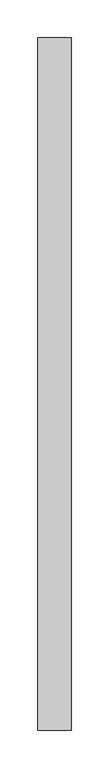
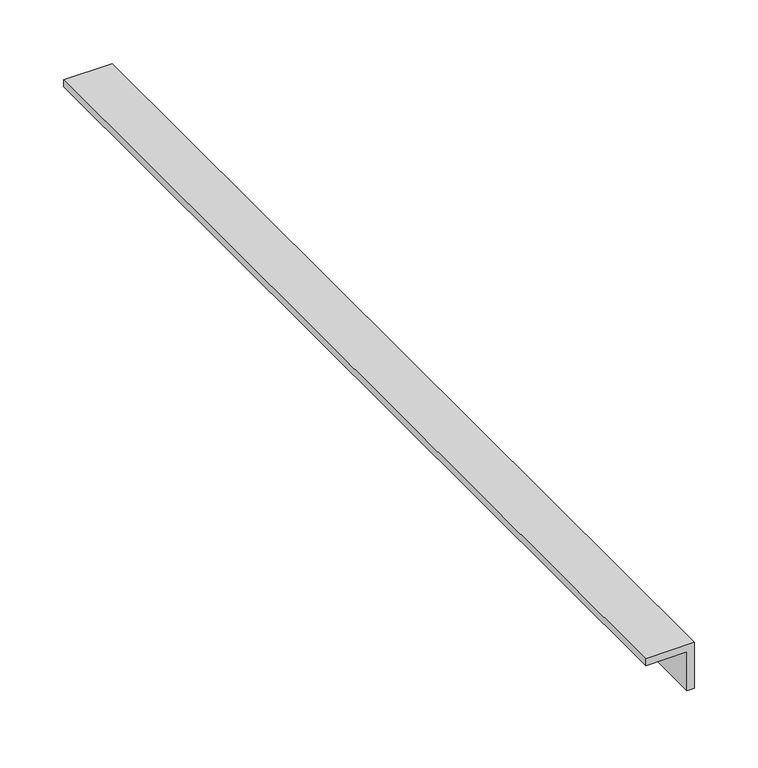
"""IFC4 building model written with IfcOpenShell, lengths in millimetres: proxy geometry."""

from ifc_helpers import new_model, si_unit, frame, origin, place, context, project, spatial, polyline, outline, extrude, source, transform, mapped, element, save


def generic_models_3d69ca64(model_context):
    return source(origin(), model_context, "Body", "SweptSolid", [
        extrude(outline(polyline([(5639.5112305, 37917.9618121), (5639.5112305, 37955.3317339), (5602.1413086, 37955.3317339), (5602.1413086, 37962.046773), (5646.2262695, 37962.046773), (5646.2262695, 37917.9618121), (5639.5112305, 37917.9618121)])), frame((0.0, -24894.0929893, 0.0), z_axis=(0.0, 1.0, 0.0), x_axis=(0.0, 0.0, 1.0)), (0.0, 0.0, 1.0), 916.94),
    ])


if __name__ == "__main__":
    model = new_model("IFC4")
    model_context = context("Model", 3, world=origin())
    ifc_project = project(units=[si_unit("LENGTHUNIT", "METRE", prefix="MILLI")], contexts=[model_context])
    site = spatial("IfcSite", under=ifc_project)
    building = spatial("IfcBuilding", under=site)
    placement = place(None, origin())
    generic_models_shape = generic_models_3d69ca64(model_context)
    element("IfcBuildingElementProxy", 1, Name="Generic Models", at=placement, inside=building, context=model_context, shape_type="MappedRepresentation", body=[
        mapped(generic_models_shape, transform((0.0, 0.0, 0.0), x_axis=(1.0, 0.0, 0.0), y_axis=(0.0, 1.0, 0.0), z_axis=(0.0, 0.0, 1.0))),
    ])
    save(model, "model.ifc")
